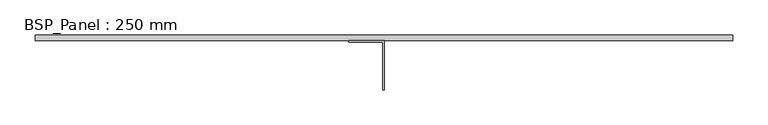
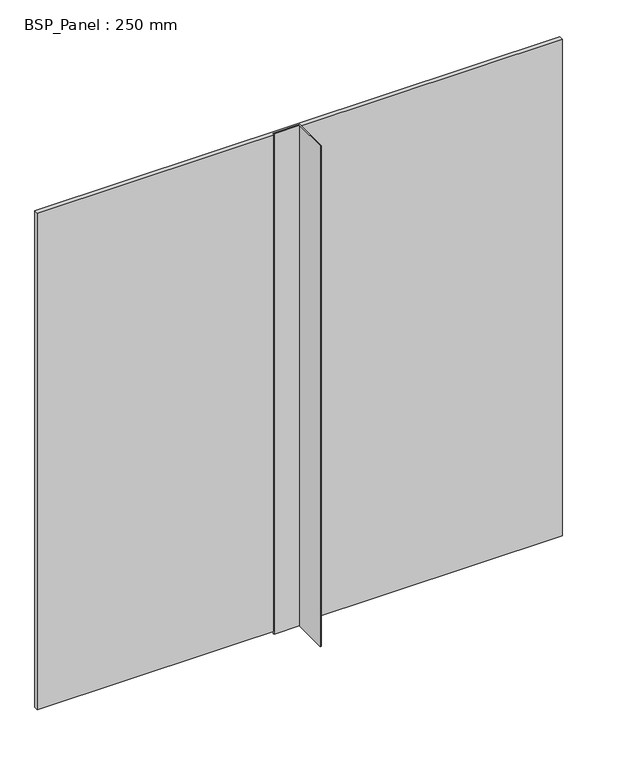
"""IFC4 building model written with IfcOpenShell, lengths in millimetres: plate geometry, BSP_Panel : 250 mm."""

from ifc_helpers import new_model, si_unit, frame, origin, origin_with_axes, place, context, project, spatial, polyline, outline, extrude, source, transform, mapped, element, save


def bsp_panel_250_mm_bfacd3bb(model_context):
    return source(origin(), model_context, "Body", "SweptSolid", [
        extrude(outline(polyline([(496.0000001, 250.0), (496.0000001, 242.0), (-496.0000001, 242.0), (-496.0000001, 250.0), (496.0000001, 250.0)])), frame((0.0, 0.0, 4.0), z_axis=(0.0, 0.0, 1.0), x_axis=(1.0, 0.0, 0.0)), (0.0, 0.0, 1.0), 992.0),
        extrude(outline(polyline([(-50.0, 242.0), (0.0, 242.0), (0.0, 172.0), (-2.0, 172.0), (-2.0, 240.0), (-50.0, 240.0), (-50.0, 242.0)])), origin_with_axes(), (0.0, 0.0, 1.0), 1000.0),
    ])


if __name__ == "__main__":
    model = new_model("IFC4")
    model_context = context("Model", 3, world=origin())
    ifc_project = project(units=[si_unit("LENGTHUNIT", "METRE", prefix="MILLI")], contexts=[model_context])
    site = spatial("IfcSite", under=ifc_project)
    building = spatial("IfcBuilding", under=site)
    placement = place(None, origin())
    bsp_panel_250_mm_shape = bsp_panel_250_mm_bfacd3bb(model_context)
    element("IfcPlate", 1, ObjectType="BSP_Panel : 250 mm", at=placement, inside=building, context=model_context, shape_type="MappedRepresentation", body=[
        mapped(bsp_panel_250_mm_shape, transform((0.0, 0.0, 0.0), x_axis=(1.0, 0.0, 0.0), y_axis=(0.0, 1.0, 0.0), z_axis=(0.0, 0.0, 1.0))),
    ])
    save(model, "model.ifc")
